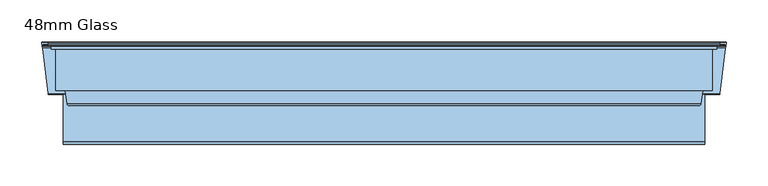
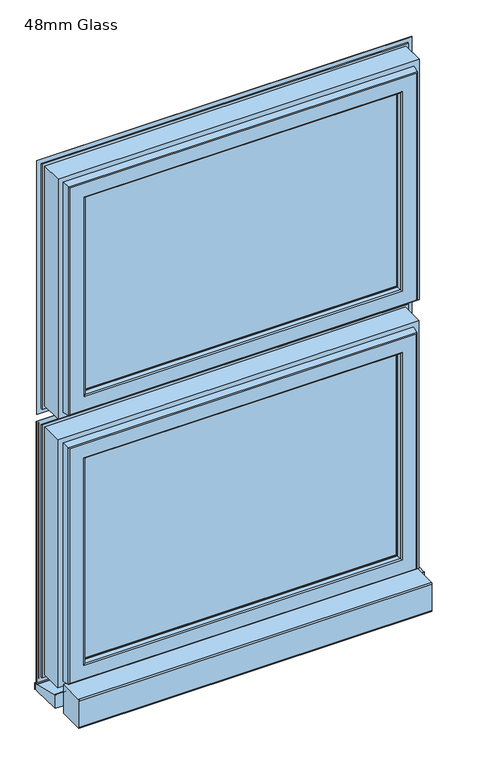
"""IFC4 building model written with IfcOpenShell, lengths in millimetres: window geometry, 48mm Glass."""

from ifc_helpers import new_model, si_unit, frame, origin, place, context, project, spatial, polyline, circle_curve, ellipse_curve, outline, extrude, source, transform, mapped, element, save
from ifc_brep_helpers import plane_surface, cylinder_surface, revolved_surface, advanced_brep


def window_48mm_glass_8716011d(model_context):
    return source(origin(), model_context, "Body", "SolidModel", [
        extrude(outline(polyline([(354.0, 94.0110098), (-354.0, 94.0110098), (-354.0, 142.0110098), (354.0, 142.0110098), (354.0, 94.0110098)])), frame((0.0, 0.0, 1418.592), z_axis=(0.0, 0.0, 1.0), x_axis=(1.0, 0.0, 0.0)), (0.0, 0.0, 1.0), 493.696),
        advanced_brep(
        [(396.5, 149.6168436, 1954.788), (396.5, 146.5999985, 1954.788), (396.5, 146.5999985, 1376.092), (396.5, 149.6168436, 1376.092), (399.0, 154.0, 1957.288), (400.0, 153.0, 1958.288), (400.0, 153.0, 1372.592), (399.0, 154.0, 1373.592), (340.0012615, 142.0, 1898.2892615), (340.0012615, 143.3599713, 1898.2892615), (340.0012615, 143.3599713, 1432.5907385), (340.0012615, 142.0, 1432.5907385), (358.3697055, 94.0110098, 1916.6577055), (364.2620126, 142.0, 1922.5500126), (364.2620126, 142.0, 1408.3299874), (358.3697055, 94.0110098, 1414.2222945), (340.0013518, 91.0110098, 1898.2893518), (340.0013518, 94.0110098, 1898.2893518), (340.0013518, 94.0110098, 1432.5906482), (340.0013518, 91.0110098, 1432.5906482), (340.0232044, 89.8030982, 1898.3112044), (341.001352, 91.0110098, 1899.289352), (341.001352, 91.0110098, 1431.590648), (340.0232044, 89.8030982, 1432.5687956), (341.8120427, 81.376265, 1900.1000427), (341.8120427, 81.376265, 1430.7799573), (344.7464855, 79.0, 1903.0344855), (344.7464855, 79.0, 1427.8455145), (377.5618051, 80.7562613, 1935.8498051), (375.5767128, 79.0, 1933.8647128), (375.5767128, 79.0, 1397.0152872), (377.5618051, 80.7562613, 1395.0301949), (379.5562854, 97.0, 1937.8442854), (379.5562854, 97.0, 1393.0357146), (391.0, 146.5999985, 1949.288), (391.0, 97.0, 1949.288), (391.0, 97.0, 1381.592), (391.0, 146.5999985, 1381.592), (-396.5, 146.5999985, 1376.092), (-396.5, 149.6168436, 1376.092), (-400.0, 153.0, 1372.592), (-399.0, 154.0, 1373.592), (-340.0012615, 143.3599713, 1432.5907385), (-340.0012615, 142.0, 1432.5907385), (-364.2620126, 142.0, 1408.3299874), (-358.3697055, 94.0110098, 1414.2222945), (-340.0013518, 94.0110098, 1432.5906482), (-340.0013518, 91.0110098, 1432.5906482), (-341.001352, 91.0110098, 1431.590648), (-340.0232044, 89.8030982, 1432.5687956), (-341.8120427, 81.376265, 1430.7799573), (-344.7464855, 79.0, 1427.8455145), (-375.5767128, 79.0, 1397.0152872), (-377.5618051, 80.7562613, 1395.0301949), (-379.5562854, 97.0, 1393.0357146), (-391.0, 97.0, 1381.592), (-391.0, 146.5999985, 1381.592), (-396.5, 146.5999985, 1954.788), (-396.5, 149.6168436, 1954.788), (-400.0, 153.0, 1958.288), (-399.0, 154.0, 1957.288), (-340.0012615, 143.3599713, 1898.2892615), (-340.0012615, 142.0, 1898.2892615), (-364.2620126, 142.0, 1922.5500126), (-358.3697055, 94.0110098, 1916.6577055), (-340.0013518, 94.0110098, 1898.2893518), (-340.0013518, 91.0110098, 1898.2893518), (-341.001352, 91.0110098, 1899.289352), (-340.0232044, 89.8030982, 1898.3112044), (-341.8120427, 81.376265, 1900.1000427), (-344.7464855, 79.0, 1903.0344855), (-375.5767128, 79.0, 1933.8647128), (-377.5618051, 80.7562613, 1935.8498051), (-379.5562854, 97.0, 1937.8442854), (-391.0, 97.0, 1949.288), (-391.0, 146.5999985, 1949.288), (406.1997151, 150.6865589, 1366.3922849), (-406.1997151, 150.6865589, 1366.3922849), (-406.1997151, 150.6865589, 1964.4877151), (406.1997151, 150.6865589, 1964.4877151), (400.0, 150.6865589, 1958.288), (-400.0, 150.6865589, 1958.288), (-400.0, 150.6865589, 1372.592), (400.0, 150.6865589, 1372.592), (406.1997151, 149.6168436, 1964.4877151), (406.1997151, 149.6168436, 1366.3922849), (-406.1997151, 149.6168436, 1366.3922849), (-406.1997151, 149.6168436, 1964.4877151), (342.8249234, 152.5957532, 1901.1129234), (344.5279664, 154.0, 1902.8159664), (344.5279664, 154.0, 1428.0640336), (342.8249234, 152.5957532, 1429.7670766), (-344.5279664, 154.0, 1428.0640336), (-342.8249234, 152.5957532, 1429.7670766), (-344.5279664, 154.0, 1902.8159664), (-342.8249234, 152.5957532, 1901.1129234)],
        [
            (0, 1),
            (1, 2),
            (2, 3),
            (3, 0),
            (4, 5, ellipse_curve(frame((399.0, 153.0, 1957.288), z_axis=(0.7071067811865475, 0.0, -0.7071067811865475), x_axis=(0.7071067811865474, 0.0, 0.7071067811865476)), 1.4142136, 1.0)),
            (5, 6),
            (6, 7, ellipse_curve(frame((399.0, 153.0, 1373.592), z_axis=(0.7071067811865475, 0.0, 0.7071067811865475), x_axis=(-0.7071067811865474, 0.0, 0.7071067811865476)), 1.4142136, 1.0)),
            (7, 4),
            (8, 9),
            (9, 10),
            (10, 11),
            (11, 8),
            (12, 13),
            (13, 14),
            (14, 15),
            (15, 12),
            (16, 17),
            (17, 18),
            (18, 19),
            (19, 16),
            (20, 21, ellipse_curve(frame((341.001352, 90.0110098, 1899.289352), z_axis=(0.7071067811865475, 0.0, -0.7071067811865475), x_axis=(0.7071067811865474, 0.0, 0.7071067811865476)), 1.4142136, 1.0)),
            (21, 22),
            (22, 23, ellipse_curve(frame((341.001352, 90.0110098, 1431.590648), z_axis=(0.7071067811865475, 0.0, 0.7071067811865475), x_axis=(-0.7071067811865474, 0.0, 0.7071067811865476)), 1.4142136, 1.0)),
            (23, 20),
            (24, 20),
            (23, 25),
            (25, 24),
            (26, 24, ellipse_curve(frame((344.7464855, 82.0, 1903.0344855), z_axis=(0.7071067811865475, 0.0, -0.7071067811865475), x_axis=(0.7071067811865474, 0.0, 0.7071067811865476)), 4.2426407, 3.0)),
            (25, 27, ellipse_curve(frame((344.7464855, 82.0, 1427.8455145), z_axis=(0.7071067811865475, 0.0, 0.7071067811865475), x_axis=(-0.7071067811865474, 0.0, 0.7071067811865476)), 4.2426407, 3.0)),
            (27, 26),
            (28, 29, ellipse_curve(frame((375.5767128, 81.0, 1933.8647128), z_axis=(0.7071067811865475, 0.0, -0.7071067811865475), x_axis=(0.7071067811865474, 0.0, 0.7071067811865476)), 2.8284271, 2.0)),
            (29, 30),
            (30, 31, ellipse_curve(frame((375.5767128, 81.0, 1397.0152872), z_axis=(0.7071067811865475, 0.0, 0.7071067811865475), x_axis=(-0.7071067811865474, 0.0, 0.7071067811865476)), 2.8284271, 2.0)),
            (31, 28),
            (32, 28),
            (31, 33),
            (33, 32),
            (34, 35),
            (35, 36),
            (36, 37),
            (37, 34),
            (2, 38),
            (38, 39),
            (39, 3),
            (6, 40),
            (40, 41, ellipse_curve(frame((-399.0, 153.0, 1373.592), z_axis=(0.7071067811865475, 0.0, -0.7071067811865475), x_axis=(0.7071067811865476, 0.0, 0.7071067811865474)), 1.4142136, 1.0)),
            (41, 7),
            (10, 42),
            (42, 43),
            (43, 11),
            (14, 44),
            (44, 45),
            (45, 15),
            (18, 46),
            (46, 47),
            (47, 19),
            (22, 48),
            (48, 49, ellipse_curve(frame((-341.001352, 90.0110098, 1431.590648), z_axis=(0.7071067811865475, 0.0, -0.7071067811865475), x_axis=(0.7071067811865476, 0.0, 0.7071067811865474)), 1.4142136, 1.0)),
            (49, 23),
            (49, 50),
            (50, 25),
            (50, 51, ellipse_curve(frame((-344.7464855, 82.0, 1427.8455145), z_axis=(0.7071067811865475, 0.0, -0.7071067811865475), x_axis=(0.7071067811865476, 0.0, 0.7071067811865474)), 4.2426407, 3.0)),
            (51, 27),
            (30, 52),
            (52, 53, ellipse_curve(frame((-375.5767128, 81.0, 1397.0152872), z_axis=(0.7071067811865475, 0.0, -0.7071067811865475), x_axis=(0.7071067811865476, 0.0, 0.7071067811865474)), 2.8284271, 2.0)),
            (53, 31),
            (53, 54),
            (54, 33),
            (36, 55),
            (55, 56),
            (56, 37),
            (38, 57),
            (57, 58),
            (58, 39),
            (40, 59),
            (59, 60, ellipse_curve(frame((-399.0, 153.0, 1957.288), z_axis=(-0.7071067811865475, 0.0, -0.7071067811865475), x_axis=(0.7071067811865474, 0.0, -0.7071067811865476)), 1.4142136, 1.0)),
            (60, 41),
            (42, 61),
            (61, 62),
            (62, 43),
            (44, 63),
            (63, 64),
            (64, 45),
            (46, 65),
            (65, 66),
            (66, 47),
            (48, 67),
            (67, 68, ellipse_curve(frame((-341.001352, 90.0110098, 1899.289352), z_axis=(-0.7071067811865475, 0.0, -0.7071067811865475), x_axis=(0.7071067811865474, 0.0, -0.7071067811865476)), 1.4142136, 1.0)),
            (68, 49),
            (68, 69),
            (69, 50),
            (69, 70, ellipse_curve(frame((-344.7464855, 82.0, 1903.0344855), z_axis=(-0.7071067811865475, 0.0, -0.7071067811865475), x_axis=(0.7071067811865474, 0.0, -0.7071067811865476)), 4.2426407, 3.0)),
            (70, 51),
            (52, 71),
            (71, 72, ellipse_curve(frame((-375.5767128, 81.0, 1933.8647128), z_axis=(-0.7071067811865475, 0.0, -0.7071067811865475), x_axis=(0.7071067811865474, 0.0, -0.7071067811865476)), 2.8284271, 2.0)),
            (72, 53),
            (72, 73),
            (73, 54),
            (55, 74),
            (74, 75),
            (75, 56),
            (1, 57),
            (75, 34),
            (0, 58),
            (76, 77),
            (77, 78),
            (78, 79),
            (79, 76),
            (80, 81),
            (81, 82),
            (82, 83),
            (83, 80),
            (59, 5),
            (4, 60),
            (61, 9),
            (8, 62),
            (13, 63),
            (12, 64),
            (17, 65),
            (16, 66),
            (21, 67),
            (20, 68),
            (24, 69),
            (26, 70),
            (29, 71),
            (28, 72),
            (32, 73),
            (35, 74),
            (79, 84),
            (84, 85),
            (85, 76),
            (5, 80),
            (83, 6),
            (85, 86),
            (86, 77),
            (82, 40),
            (86, 87),
            (87, 78),
            (81, 59),
            (84, 87),
            (88, 89, ellipse_curve(frame((344.7375329, 152.0110098, 1903.0255329), z_axis=(0.7071067811865475, 0.0, -0.7071067811865475), x_axis=(0.7071067811865474, 0.0, 0.7071067811865476)), 2.8284271, 2.0)),
            (89, 90),
            (90, 91, ellipse_curve(frame((344.7375329, 152.0110098, 1427.8544671), z_axis=(0.7071067811865475, 0.0, 0.7071067811865475), x_axis=(-0.7071067811865474, 0.0, 0.7071067811865476)), 2.8284271, 2.0)),
            (91, 88),
            (9, 88),
            (91, 10),
            (90, 92),
            (92, 93, ellipse_curve(frame((-344.7375329, 152.0110098, 1427.8544671), z_axis=(0.7071067811865475, 0.0, -0.7071067811865475), x_axis=(0.7071067811865476, 0.0, 0.7071067811865474)), 2.8284271, 2.0)),
            (93, 91),
            (93, 42),
            (92, 94),
            (94, 95, ellipse_curve(frame((-344.7375329, 152.0110098, 1903.0255329), z_axis=(-0.7071067811865475, 0.0, -0.7071067811865475), x_axis=(0.7071067811865474, 0.0, -0.7071067811865476)), 2.8284271, 2.0)),
            (95, 93),
            (95, 61),
            (89, 94),
            (88, 95),
        ],
        [
            plane_surface(frame((396.5, 146.5999985, 1954.788), z_axis=(1.0, 0.0, 0.0), x_axis=(0.0, 0.0, -1.0))),
            cylinder_surface(frame((399.0, 153.0, 1949.288), z_axis=(0.0, 0.0, 1.0), x_axis=(0.0, -1.0, 0.0)), 1.0),
            plane_surface(frame((340.0012615, 143.3599713, 1898.2892615), z_axis=(-1.0, 0.0, 0.0), x_axis=(0.0, 0.0, -1.0))),
            plane_surface(frame((364.2620126, 142.0, 1922.5500126), z_axis=(-0.9925461516413232, 0.12186934340513839, 0.0), x_axis=(0.0, 0.0, -1.0))),
            plane_surface(frame((340.0013518, 94.0110098, 1898.2893518), z_axis=(-1.0, 0.0, 0.0), x_axis=(0.0, 0.0, -1.0))),
            cylinder_surface(frame((341.001352, 90.0110098, 1949.288), z_axis=(0.0, 0.0, 1.0), x_axis=(0.0, -1.0, 0.0)), 1.0),
            plane_surface(frame((340.0232044, 89.8030982, 1898.3112044), z_axis=(-0.9782028159557521, -0.2076517538000511, 0.0), x_axis=(0.0, 0.0, -1.0))),
            cylinder_surface(frame((344.7464855, 82.0, 1949.288), z_axis=(0.0, 0.0, 1.0), x_axis=(0.0, -1.0, 0.0)), 3.0),
            cylinder_surface(frame((375.5767128, 81.0, 1949.288), z_axis=(0.0, 0.0, 1.0), x_axis=(0.0, -1.0, 0.0)), 2.0),
            plane_surface(frame((377.5618051, 80.7562613, 1935.8498051), z_axis=(0.9925461516416152, -0.12186934340276044, 0.0), x_axis=(0.0, 0.0, -1.0))),
            plane_surface(frame((391.0, 97.0, 1949.288), z_axis=(1.0, 0.0, 0.0), x_axis=(0.0, 0.0, -1.0))),
            plane_surface(frame((396.5, 146.5999985, 1376.092), z_axis=(0.0, 0.0, -1.0), x_axis=(-1.0, 0.0, 0.0))),
            cylinder_surface(frame((391.0, 153.0, 1373.592), z_axis=(1.0, 0.0, 0.0), x_axis=(0.0, -1.0, 0.0)), 1.0),
            plane_surface(frame((340.0012615, 143.3599713, 1432.5907385), z_axis=(0.0, 0.0, 1.0), x_axis=(-1.0, 0.0, 0.0))),
            plane_surface(frame((364.2620126, 142.0, 1408.3299874), z_axis=(0.0, 0.12186934340513839, 0.9925461516413232), x_axis=(-1.0, 0.0, 0.0))),
            plane_surface(frame((340.0013518, 94.0110098, 1432.5906482), z_axis=(0.0, 0.0, 1.0), x_axis=(-1.0, 0.0, 0.0))),
            cylinder_surface(frame((391.0, 90.0110098, 1431.590648), z_axis=(1.0, 0.0, 0.0), x_axis=(0.0, -1.0, 0.0)), 1.0),
            plane_surface(frame((340.0232044, 89.8030982, 1432.5687956), z_axis=(0.0, -0.2076517538000511, 0.9782028159557521), x_axis=(-1.0, 0.0, 0.0))),
            cylinder_surface(frame((391.0, 82.0, 1427.8455145), z_axis=(1.0, 0.0, 0.0), x_axis=(0.0, -1.0, 0.0)), 3.0),
            cylinder_surface(frame((391.0, 81.0, 1397.0152872), z_axis=(1.0, 0.0, 0.0), x_axis=(0.0, -1.0, 0.0)), 2.0),
            plane_surface(frame((377.5618051, 80.7562613, 1395.0301949), z_axis=(0.0, -0.12186934340276044, -0.9925461516416152), x_axis=(-1.0, 0.0, 0.0))),
            plane_surface(frame((391.0, 97.0, 1381.592), z_axis=(0.0, 0.0, -1.0), x_axis=(-1.0, 0.0, 0.0))),
            plane_surface(frame((-396.5, 146.5999985, 1376.092), z_axis=(-1.0, 0.0, 0.0), x_axis=(0.0, 0.0, 1.0))),
            cylinder_surface(frame((-399.0, 153.0, 1381.592), z_axis=(0.0, 0.0, -1.0), x_axis=(0.0, -1.0, 0.0)), 1.0),
            plane_surface(frame((-340.0012615, 143.3599713, 1432.5907385), z_axis=(1.0, 0.0, 0.0), x_axis=(0.0, 0.0, 1.0))),
            plane_surface(frame((-364.2620126, 142.0, 1408.3299874), z_axis=(0.9925461516413232, 0.12186934340513839, 0.0), x_axis=(0.0, 0.0, 1.0))),
            plane_surface(frame((-340.0013518, 94.0110098, 1432.5906482), z_axis=(1.0, 0.0, 0.0), x_axis=(0.0, 0.0, 1.0))),
            cylinder_surface(frame((-341.001352, 90.0110098, 1381.592), z_axis=(0.0, 0.0, -1.0), x_axis=(0.0, -1.0, 0.0)), 1.0),
            plane_surface(frame((-340.0232044, 89.8030982, 1432.5687956), z_axis=(0.9782028159557521, -0.2076517538000511, 0.0), x_axis=(0.0, 0.0, 1.0))),
            cylinder_surface(frame((-344.7464855, 82.0, 1381.592), z_axis=(0.0, 0.0, -1.0), x_axis=(0.0, -1.0, 0.0)), 3.0),
            cylinder_surface(frame((-375.5767128, 81.0, 1381.592), z_axis=(0.0, 0.0, -1.0), x_axis=(0.0, -1.0, 0.0)), 2.0),
            plane_surface(frame((-377.5618051, 80.7562613, 1395.0301949), z_axis=(-0.9925461516416152, -0.12186934340276044, 0.0), x_axis=(0.0, 0.0, 1.0))),
            plane_surface(frame((-391.0, 97.0, 1381.592), z_axis=(-1.0, 0.0, 0.0), x_axis=(0.0, 0.0, 1.0))),
            plane_surface(frame((-391.0, 146.5999985, 1949.288), z_axis=(0.0, -1.0, 0.0), x_axis=(1.0, 0.0, 0.0))),
            plane_surface(frame((-396.5, 146.5999985, 1954.788), z_axis=(0.0, 0.0, 1.0), x_axis=(1.0, 0.0, 0.0))),
            plane_surface(frame((-406.1997151, 150.6865589, 1964.4877151), z_axis=(0.0, 1.0, 0.0), x_axis=(1.0, 0.0, 0.0))),
            cylinder_surface(frame((-391.0, 153.0, 1957.288), z_axis=(-1.0, 0.0, 0.0), x_axis=(0.0, -1.0, 0.0)), 1.0),
            plane_surface(frame((-340.0012615, 143.3599713, 1898.2892615), z_axis=(0.0, 0.0, -1.0), x_axis=(1.0, 0.0, 0.0))),
            plane_surface(frame((-340.0012615, 142.0, 1898.2892615), z_axis=(0.0, -1.0, 0.0), x_axis=(1.0, 0.0, 0.0))),
            plane_surface(frame((-364.2620126, 142.0, 1922.5500126), z_axis=(0.0, 0.12186934340513839, -0.9925461516413232), x_axis=(1.0, 0.0, 0.0))),
            plane_surface(frame((-358.3697055, 94.0110098, 1916.6577055), z_axis=(0.0, 1.0, 0.0), x_axis=(1.0, 0.0, 0.0))),
            plane_surface(frame((-340.0013518, 94.0110098, 1898.2893518), z_axis=(0.0, 0.0, -1.0), x_axis=(1.0, 0.0, 0.0))),
            plane_surface(frame((-340.0013518, 91.0110098, 1898.2893518), z_axis=(0.0, -1.0, 0.0), x_axis=(1.0, 0.0, 0.0))),
            cylinder_surface(frame((-391.0, 90.0110098, 1899.289352), z_axis=(-1.0, 0.0, 0.0), x_axis=(0.0, -1.0, 0.0)), 1.0),
            plane_surface(frame((-340.0232044, 89.8030982, 1898.3112044), z_axis=(0.0, -0.2076517538000511, -0.9782028159557521), x_axis=(1.0, 0.0, 0.0))),
            cylinder_surface(frame((-391.0, 82.0, 1903.0344855), z_axis=(-1.0, 0.0, 0.0), x_axis=(0.0, -1.0, 0.0)), 3.0),
            plane_surface(frame((-344.7464855, 79.0, 1903.0344855), z_axis=(0.0, -1.0, 0.0), x_axis=(1.0, 0.0, 0.0))),
            cylinder_surface(frame((-391.0, 81.0, 1933.8647128), z_axis=(-1.0, 0.0, 0.0), x_axis=(0.0, -1.0, 0.0)), 2.0),
            plane_surface(frame((-377.5618051, 80.7562613, 1935.8498051), z_axis=(0.0, -0.12186934340276044, 0.9925461516416152), x_axis=(1.0, 0.0, 0.0))),
            plane_surface(frame((-379.5562854, 97.0, 1937.8442854), z_axis=(0.0, -1.0, 0.0), x_axis=(1.0, 0.0, 0.0))),
            plane_surface(frame((-391.0, 97.0, 1949.288), z_axis=(0.0, 0.0, 1.0), x_axis=(1.0, 0.0, 0.0))),
            plane_surface(frame((406.1997151, 149.6168436, 1964.4877151), z_axis=(1.0, 0.0, 0.0), x_axis=(0.0, 0.0, -1.0))),
            plane_surface(frame((400.0, 150.6865589, 1958.288), z_axis=(1.0, 0.0, 0.0), x_axis=(0.0, 0.0, -1.0))),
            plane_surface(frame((406.1997151, 149.6168436, 1366.3922849), z_axis=(0.0, 0.0, -1.0), x_axis=(-1.0, 0.0, 0.0))),
            plane_surface(frame((400.0, 150.6865589, 1372.592), z_axis=(0.0, 0.0, -1.0), x_axis=(-1.0, 0.0, 0.0))),
            plane_surface(frame((-406.1997151, 149.6168436, 1366.3922849), z_axis=(-1.0, 0.0, 0.0), x_axis=(0.0, 0.0, 1.0))),
            plane_surface(frame((-400.0, 150.6865589, 1372.592), z_axis=(-1.0, 0.0, 0.0), x_axis=(0.0, 0.0, 1.0))),
            plane_surface(frame((-396.5, 149.6168436, 1954.788), z_axis=(0.0, -1.0, 0.0), x_axis=(1.0, 0.0, 0.0))),
            plane_surface(frame((-406.1997151, 149.6168436, 1964.4877151), z_axis=(0.0, 0.0, 1.0), x_axis=(1.0, 0.0, 0.0))),
            plane_surface(frame((-400.0, 150.6865589, 1958.288), z_axis=(0.0, 0.0, 1.0), x_axis=(1.0, 0.0, 0.0))),
            cylinder_surface(frame((344.7375329, 152.0110098, 1949.288), z_axis=(0.0, 0.0, 1.0), x_axis=(0.0, -1.0, 0.0)), 2.0),
            plane_surface(frame((342.8249234, 152.5957532, 1901.1129234), z_axis=(-0.9563047559630313, 0.2923717047227505, 0.0), x_axis=(0.0, 0.0, -1.0))),
            cylinder_surface(frame((391.0, 152.0110098, 1427.8544671), z_axis=(1.0, 0.0, 0.0), x_axis=(0.0, -1.0, 0.0)), 2.0),
            plane_surface(frame((342.8249234, 152.5957532, 1429.7670766), z_axis=(0.0, 0.2923717047227505, 0.9563047559630313), x_axis=(-1.0, 0.0, 0.0))),
            cylinder_surface(frame((-344.7375329, 152.0110098, 1381.592), z_axis=(0.0, 0.0, -1.0), x_axis=(0.0, -1.0, 0.0)), 2.0),
            plane_surface(frame((-342.8249234, 152.5957532, 1429.7670766), z_axis=(0.9563047559630313, 0.2923717047227505, 0.0), x_axis=(0.0, 0.0, 1.0))),
            plane_surface(frame((-399.0, 154.0, 1957.288), z_axis=(0.0, 1.0, 0.0), x_axis=(1.0, 0.0, 0.0))),
            cylinder_surface(frame((-391.0, 152.0110098, 1903.0255329), z_axis=(-1.0, 0.0, 0.0), x_axis=(0.0, -1.0, 0.0)), 2.0),
            plane_surface(frame((-342.8249234, 152.5957532, 1901.1129234), z_axis=(0.0, 0.2923717047227505, -0.9563047559630313), x_axis=(1.0, 0.0, 0.0))),
        ],
        [
            (0, [[1, 2, 3, 4]]),
            (1, [[5, 6, 7, 8]]),
            (2, [[9, 10, 11, 12]]),
            (3, [[13, 14, 15, 16]]),
            (4, [[17, 18, 19, 20]]),
            (5, [[21, 22, 23, 24]]),
            (6, [[25, -24, 26, 27]]),
            (7, [[28, -27, 29, 30]]),
            (8, [[31, 32, 33, 34]]),
            (9, [[35, -34, 36, 37]]),
            (10, [[38, 39, 40, 41]]),
            (11, [[-3, 42, 43, 44]]),
            (12, [[-7, 45, 46, 47]]),
            (13, [[-11, 48, 49, 50]]),
            (14, [[-15, 51, 52, 53]]),
            (15, [[-19, 54, 55, 56]]),
            (16, [[-23, 57, 58, 59]]),
            (17, [[-26, -59, 60, 61]]),
            (18, [[-29, -61, 62, 63]]),
            (19, [[-33, 64, 65, 66]]),
            (20, [[-36, -66, 67, 68]]),
            (21, [[-40, 69, 70, 71]]),
            (22, [[-43, 72, 73, 74]]),
            (23, [[-46, 75, 76, 77]]),
            (24, [[-49, 78, 79, 80]]),
            (25, [[-52, 81, 82, 83]]),
            (26, [[-55, 84, 85, 86]]),
            (27, [[-58, 87, 88, 89]]),
            (28, [[-60, -89, 90, 91]]),
            (29, [[-62, -91, 92, 93]]),
            (30, [[-65, 94, 95, 96]]),
            (31, [[-67, -96, 97, 98]]),
            (32, [[-70, 99, 100, 101]]),
            (33, [[102, -72, -42, -2], [-71, -101, 103, -41]]),
            (34, [[-73, -102, -1, 104]]),
            (35, [[105, 106, 107, 108], [109, 110, 111, 112]]),
            (36, [[-76, 113, -5, 114]]),
            (37, [[-79, 115, -9, 116]]),
            (38, [[117, -81, -51, -14], [-50, -80, -116, -12]]),
            (39, [[-82, -117, -13, 118]]),
            (40, [[-53, -83, -118, -16], [119, -84, -54, -18]]),
            (41, [[-85, -119, -17, 120]]),
            (42, [[121, -87, -57, -22], [-56, -86, -120, -20]]),
            (43, [[-88, -121, -21, 122]]),
            (44, [[-90, -122, -25, 123]]),
            (45, [[-92, -123, -28, 124]]),
            (46, [[125, -94, -64, -32], [-63, -93, -124, -30]]),
            (47, [[-95, -125, -31, 126]]),
            (48, [[-97, -126, -35, 127]]),
            (49, [[128, -99, -69, -39], [-68, -98, -127, -37]]),
            (50, [[-100, -128, -38, -103]]),
            (51, [[129, 130, 131, -108]]),
            (52, [[132, -112, 133, -6]]),
            (53, [[-131, 134, 135, -105]]),
            (54, [[-133, -111, 136, -45]]),
            (55, [[-135, 137, 138, -106]]),
            (56, [[-136, -110, 139, -75]]),
            (57, [[140, -137, -134, -130], [-44, -74, -104, -4]]),
            (58, [[-138, -140, -129, -107]]),
            (59, [[-139, -109, -132, -113]]),
            (60, [[141, 142, 143, 144]]),
            (61, [[145, -144, 146, -10]]),
            (62, [[-143, 147, 148, 149]]),
            (63, [[-146, -149, 150, -48]]),
            (64, [[-148, 151, 152, 153]]),
            (65, [[-150, -153, 154, -78]]),
            (66, [[-47, -77, -114, -8], [155, -151, -147, -142]]),
            (67, [[-152, -155, -141, 156]]),
            (68, [[-154, -156, -145, -115]]),
        ],
    ),
        advanced_brep(
        [(382.0, 91.0, 1341.2649121), (382.0, 91.0, 1324.592), (-382.0, 91.0, 1324.592), (-382.0, 91.0, 1341.2649121), (382.0, 35.0, 1324.592), (-382.0, 35.0, 1324.592), (382.0, 32.0, 1327.592), (382.0, 32.0, 1387.592), (-382.0, 32.0, 1387.592), (-382.0, 32.0, 1327.592), (382.0, 35.0, 1390.592), (382.0, 91.0, 1390.592), (-382.0, 91.0, 1390.592), (-382.0, 35.0, 1390.592), (382.0, 91.0, 1373.9190879), (-382.0, 91.0, 1373.9190879), (400.1583253, 92.2894565, 1372.4339376), (406.822025, 146.5609347, 1365.7813048), (-406.822025, 146.5609347, 1365.7813048), (-400.1583253, 92.2894565, 1372.4339376), (406.822025, 146.5609347, 1349.4026952), (400.1583253, 92.2894565, 1342.7500624), (-400.1583253, 92.2894565, 1342.7500624), (-406.822025, 146.5609347, 1349.4026952), (400.0, 91.0, 1341.2649121), (400.0, 91.0, 1373.9190879), (407.6, 153.0, 1364.992), (407.6, 153.0, 1350.192), (407.6, 154.0, 1351.192), (407.6, 154.0, 1363.992), (407.0359197, 148.3029671, 1350.192), (407.0359197, 148.3029671, 1364.992), (-400.0, 91.0, 1373.9190879), (-400.0, 91.0, 1341.2649121), (-407.6, 153.0, 1350.192), (-407.6, 153.0, 1364.992), (-407.6, 154.0, 1363.992), (-407.6, 154.0, 1351.192), (-407.0359197, 148.3029671, 1364.992), (-407.0359197, 148.3029671, 1350.192)],
        [
            (0, 1),
            (1, 2),
            (2, 3),
            (3, 0),
            (1, 4),
            (4, 5),
            (5, 2),
            (6, 7),
            (7, 8),
            (8, 9),
            (9, 6),
            (10, 11),
            (11, 12),
            (12, 13),
            (13, 10),
            (11, 14),
            (14, 15),
            (15, 12),
            (16, 17),
            (17, 18),
            (18, 19),
            (19, 16),
            (20, 21),
            (21, 22),
            (22, 23),
            (23, 20),
            (14, 0),
            (0, 24),
            (24, 25),
            (25, 14),
            (10, 7, circle_curve(frame((382.0, 35.0, 1387.592), z_axis=(1.0, 0.0, 0.0), x_axis=(0.0, 0.0, 1.0)), 3.0)),
            (6, 4, circle_curve(frame((382.0, 35.0, 1327.592), z_axis=(1.0, 0.0, 0.0), x_axis=(0.0, 0.0, 1.0)), 3.0)),
            (26, 27),
            (27, 28, circle_curve(frame((407.6, 153.0, 1351.192), z_axis=(1.0, 0.0, 0.0), x_axis=(0.0, 0.0, 1.0)), 1.0)),
            (28, 29),
            (29, 26, circle_curve(frame((407.6, 153.0, 1363.992), z_axis=(1.0, 0.0, 0.0), x_axis=(0.0, 0.0, 1.0)), 1.0)),
            (24, 21, ellipse_curve(frame((400.1841768, 92.5, 1341.2649121), z_axis=(-0.9925461516413192, 0.12186934340517064, 0.0), x_axis=(0.12186934340517032, 0.9925461516413191, 0.0)), 1.5112647, 1.5)),
            (20, 30),
            (30, 27),
            (26, 31),
            (31, 17),
            (16, 25, ellipse_curve(frame((400.1841768, 92.5, 1373.9190879), z_axis=(-0.9925461516413192, 0.12186934340517064, 0.0), x_axis=(0.12186934340517032, 0.9925461516413191, 0.0)), 1.5112647, 1.5)),
            (3, 15),
            (15, 32),
            (32, 33),
            (33, 3),
            (5, 9, circle_curve(frame((-382.0, 35.0, 1327.592), z_axis=(-1.0, 0.0, 0.0), x_axis=(0.0, 0.0, 1.0)), 3.0)),
            (8, 13, circle_curve(frame((-382.0, 35.0, 1387.592), z_axis=(-1.0, 0.0, 0.0), x_axis=(0.0, 0.0, 1.0)), 3.0)),
            (34, 35),
            (35, 36, circle_curve(frame((-407.6, 153.0, 1363.992), z_axis=(-1.0, 0.0, 0.0), x_axis=(0.0, 0.0, 1.0)), 1.0)),
            (36, 37),
            (37, 34, circle_curve(frame((-407.6, 153.0, 1351.192), z_axis=(-1.0, 0.0, 0.0), x_axis=(0.0, 0.0, 1.0)), 1.0)),
            (32, 19, ellipse_curve(frame((-400.1841768, 92.5, 1373.9190879), z_axis=(0.9925461516413218, 0.12186934340514957, 0.0), x_axis=(0.12186934340514949, -0.9925461516413219, 0.0)), 1.5112647, 1.5)),
            (18, 38),
            (38, 35),
            (34, 39),
            (39, 23),
            (22, 33, ellipse_curve(frame((-400.1841768, 92.5, 1341.2649121), z_axis=(0.9925461516413218, 0.12186934340514957, 0.0), x_axis=(0.12186934340514949, -0.9925461516413219, 0.0)), 1.5112647, 1.5)),
            (31, 38),
            (26, 35),
            (29, 36),
            (28, 37),
            (27, 34),
            (30, 39),
        ],
        [
            plane_surface(frame((-432.0, 91.0, 1341.2649121), z_axis=(0.0, 1.0, 0.0), x_axis=(1.0, 0.0, 0.0))),
            plane_surface(frame((-432.0, 91.0, 1324.592), z_axis=(0.0, 0.0, -1.0), x_axis=(1.0, 0.0, 0.0))),
            plane_surface(frame((-432.0, 32.0, 1327.592), z_axis=(0.0, -1.0, 0.0), x_axis=(1.0, 0.0, 0.0))),
            plane_surface(frame((-432.0, 35.0, 1390.592), z_axis=(0.0, 0.0, 1.0), x_axis=(1.0, 0.0, 0.0))),
            plane_surface(frame((-432.0, 91.0, 1390.592), z_axis=(0.0, 1.0, 0.0), x_axis=(1.0, 0.0, 0.0))),
            plane_surface(frame((-432.0, 92.2894565, 1372.4339376), z_axis=(0.0, 0.12166994625706042, 0.992570614202236), x_axis=(1.0, 0.0, 0.0))),
            plane_surface(frame((-432.0, 146.5609347, 1349.4026952), z_axis=(0.0, 0.12166994625704212, -0.9925706142022382), x_axis=(1.0, 0.0, 0.0))),
            plane_surface(frame((400.0, 91.0, 1607.592), z_axis=(0.0, -1.0, 0.0), x_axis=(0.0, 0.0, -1.0))),
            plane_surface(frame((382.0, 91.0, 1607.592), z_axis=(1.0, 0.0, 0.0), x_axis=(0.0, 0.0, -1.0))),
            plane_surface(frame((407.6, 154.0, 1607.592), z_axis=(1.0, 0.0, 0.0), x_axis=(0.0, 0.0, -1.0))),
            plane_surface(frame((407.6, 152.8970329, 1607.592), z_axis=(0.9925461516413192, -0.12186934340517064, 0.0), x_axis=(0.0, 0.0, -1.0))),
            plane_surface(frame((-382.0, 91.0, 1607.592), z_axis=(0.0, -1.0, 0.0), x_axis=(0.0, 0.0, -1.0))),
            plane_surface(frame((-382.0, 32.0, 1607.592), z_axis=(-1.0, 0.0, 0.0), x_axis=(0.0, 0.0, -1.0))),
            plane_surface(frame((-407.6, 152.8970329, 1607.592), z_axis=(-1.0, 0.0, 0.0), x_axis=(0.0, 0.0, -1.0))),
            plane_surface(frame((-400.0, 91.0, 1607.592), z_axis=(-0.9925461516413218, -0.12186934340514957, 0.0), x_axis=(0.0, 0.0, -1.0))),
            revolved_surface(polyline([(400.3683536367004, 92.5, 1342.7649121), (-400.36835363670036, 92.5, 1342.7649121)]), (432.0, 92.5, 1341.2649121), (1.0, 0.0, 0.0)),
            cylinder_surface(frame((432.0, 35.0, 1327.592), z_axis=(-1.0, 0.0, 0.0), x_axis=(0.0, 0.0, 1.0)), 3.0),
            cylinder_surface(frame((432.0, 35.0, 1387.592), z_axis=(-1.0, 0.0, 0.0), x_axis=(0.0, 0.0, 1.0)), 3.0),
            revolved_surface(polyline([(400.3683536367004, 92.5, 1375.4190879), (-400.36835363670036, 92.5, 1375.4190879)]), (432.0, 92.5, 1373.9190879), (1.0, 0.0, 0.0)),
            plane_surface(frame((-432.0, 146.5609347, 1365.7813048), z_axis=(0.0, 0.4127070888885561, 0.9108637981504883), x_axis=(1.0, 0.0, 0.0))),
            plane_surface(frame((-432.0, 148.3029671, 1364.992), z_axis=(0.0, 0.0, 1.0), x_axis=(1.0, 0.0, 0.0))),
            cylinder_surface(frame((432.0, 153.0, 1363.992), z_axis=(-1.0, 0.0, 0.0), x_axis=(0.0, 0.0, 1.0)), 1.0),
            plane_surface(frame((-432.0, 154.0, 1363.992), z_axis=(0.0, 1.0, 0.0), x_axis=(1.0, 0.0, 0.0))),
            cylinder_surface(frame((432.0, 153.0, 1351.192), z_axis=(-1.0, 0.0, 0.0), x_axis=(0.0, 0.0, 1.0)), 1.0),
            plane_surface(frame((-432.0, 153.0, 1350.192), z_axis=(0.0, 0.0, -1.0), x_axis=(1.0, 0.0, 0.0))),
            plane_surface(frame((-432.0, 148.3029671, 1350.192), z_axis=(0.0, 0.41270708890017077, -0.9108637981452258), x_axis=(1.0, 0.0, 0.0))),
        ],
        [
            (0, [[1, 2, 3, 4]]),
            (1, [[5, 6, 7, -2]]),
            (2, [[8, 9, 10, 11]]),
            (3, [[12, 13, 14, 15]]),
            (4, [[16, 17, 18, -13]]),
            (5, [[19, 20, 21, 22]]),
            (6, [[23, 24, 25, 26]]),
            (7, [[27, 28, 29, 30]]),
            (8, [[-27, -16, -12, 31, -8, 32, -5, -1]]),
            (9, [[33, 34, 35, 36]]),
            (10, [[-29, 37, -23, 38, 39, -33, 40, 41, -19, 42]]),
            (11, [[43, 44, 45, 46]]),
            (12, [[-43, -3, -7, 47, -10, 48, -14, -18]]),
            (13, [[49, 50, 51, 52]]),
            (14, [[-45, 53, -21, 54, 55, -49, 56, 57, -25, 58]]),
            (15, [[-28, -4, -46, -58, -24, -37]]),
            (16, [[-32, -11, -47, -6]]),
            (17, [[-31, -15, -48, -9]]),
            (18, [[-30, -42, -22, -53, -44, -17]]),
            (19, [[-41, 59, -54, -20]]),
            (20, [[-40, 60, -55, -59]]),
            (21, [[-36, 61, -50, -60]]),
            (22, [[-35, 62, -51, -61]]),
            (23, [[-34, 63, -52, -62]]),
            (24, [[-39, 64, -56, -63]]),
            (25, [[-38, -26, -57, -64]]),
        ],
    ),
        extrude(outline(polyline([(354.0, 93.0110098), (-354.0, 93.0110098), (-354.0, 141.0110098), (354.0, 141.0110098), (354.0, 93.0110098)])), frame((0.0, 0.0, 2034.288), z_axis=(0.0, 0.0, 1.0), x_axis=(1.0, 0.0, 0.0)), (0.0, 0.0, 1.0), 475.712),
        advanced_brep(
        [(396.5, 148.6168436, 2552.5), (396.5, 145.5999985, 2552.5), (396.5, 145.5999985, 1991.788), (396.5, 148.6168436, 1991.788), (399.0, 153.0, 2555.0), (400.0, 152.0, 2556.0), (400.0, 152.0, 1988.288), (399.0, 153.0, 1989.288), (340.0012615, 141.0, 2496.0012615), (340.0012615, 142.3599713, 2496.0012615), (340.0012615, 142.3599713, 2048.2867385), (340.0012615, 141.0, 2048.2867385), (358.3697055, 93.0110098, 2514.3697055), (364.2620126, 141.0, 2520.2620126), (364.2620126, 141.0, 2024.0259874), (358.3697055, 93.0110098, 2029.9182945), (340.0013518, 90.0110098, 2496.0013518), (340.0013518, 93.0110098, 2496.0013518), (340.0013518, 93.0110098, 2048.2866482), (340.0013518, 90.0110098, 2048.2866482), (340.0232044, 88.8030982, 2496.0232044), (341.001352, 90.0110098, 2497.001352), (341.001352, 90.0110098, 2047.286648), (340.0232044, 88.8030982, 2048.2647956), (341.8120427, 80.376265, 2497.8120427), (341.8120427, 80.376265, 2046.4759573), (344.7464855, 78.0, 2500.7464855), (344.7464855, 78.0, 2043.5415145), (377.5618051, 79.7562613, 2533.5618051), (375.5767128, 78.0, 2531.5767128), (375.5767128, 78.0, 2012.7112872), (377.5618051, 79.7562613, 2010.7261949), (379.5562854, 96.0, 2535.5562854), (379.5562854, 96.0, 2008.7317146), (391.0, 145.5999985, 2547.0), (391.0, 96.0, 2547.0), (391.0, 96.0, 1997.288), (391.0, 145.5999985, 1997.288), (-396.5, 145.5999985, 1991.788), (-396.5, 148.6168436, 1991.788), (-400.0, 152.0, 1988.288), (-399.0, 153.0, 1989.288), (-340.0012615, 142.3599713, 2048.2867385), (-340.0012615, 141.0, 2048.2867385), (-364.2620126, 141.0, 2024.0259874), (-358.3697055, 93.0110098, 2029.9182945), (-340.0013518, 93.0110098, 2048.2866482), (-340.0013518, 90.0110098, 2048.2866482), (-341.001352, 90.0110098, 2047.286648), (-340.0232044, 88.8030982, 2048.2647956), (-341.8120427, 80.376265, 2046.4759573), (-344.7464855, 78.0, 2043.5415145), (-375.5767128, 78.0, 2012.7112872), (-377.5618051, 79.7562613, 2010.7261949), (-379.5562854, 96.0, 2008.7317146), (-391.0, 96.0, 1997.288), (-391.0, 145.5999985, 1997.288), (-396.5, 145.5999985, 2552.5), (-396.5, 148.6168436, 2552.5), (-400.0, 152.0, 2556.0), (-399.0, 153.0, 2555.0), (-340.0012615, 142.3599713, 2496.0012615), (-340.0012615, 141.0, 2496.0012615), (-364.2620126, 141.0, 2520.2620126), (-358.3697055, 93.0110098, 2514.3697055), (-340.0013518, 93.0110098, 2496.0013518), (-340.0013518, 90.0110098, 2496.0013518), (-341.001352, 90.0110098, 2497.001352), (-340.0232044, 88.8030982, 2496.0232044), (-341.8120427, 80.376265, 2497.8120427), (-344.7464855, 78.0, 2500.7464855), (-375.5767128, 78.0, 2531.5767128), (-377.5618051, 79.7562613, 2533.5618051), (-379.5562854, 96.0, 2535.5562854), (-391.0, 96.0, 2547.0), (-391.0, 145.5999985, 2547.0), (406.1997151, 149.6865589, 1982.0882849), (-406.1997151, 149.6865589, 1982.0882849), (-406.1997151, 149.6865589, 2562.1997151), (406.1997151, 149.6865589, 2562.1997151), (400.0, 149.6865589, 2556.0), (-400.0, 149.6865589, 2556.0), (-400.0, 149.6865589, 1988.288), (400.0, 149.6865589, 1988.288), (406.1997151, 148.6168436, 2562.1997151), (406.1997151, 148.6168436, 1982.0882849), (-406.1997151, 148.6168436, 1982.0882849), (-406.1997151, 148.6168436, 2562.1997151), (342.8249234, 151.5957532, 2498.8249234), (344.5279664, 153.0, 2500.5279664), (344.5279664, 153.0, 2043.7600336), (342.8249234, 151.5957532, 2045.4630766), (-344.5279664, 153.0, 2043.7600336), (-342.8249234, 151.5957532, 2045.4630766), (-344.5279664, 153.0, 2500.5279664), (-342.8249234, 151.5957532, 2498.8249234)],
        [
            (0, 1),
            (1, 2),
            (2, 3),
            (3, 0),
            (4, 5, ellipse_curve(frame((399.0, 152.0, 2555.0), z_axis=(0.7071067811865475, 0.0, -0.7071067811865475), x_axis=(0.7071067811865474, 0.0, 0.7071067811865476)), 1.4142136, 1.0)),
            (5, 6),
            (6, 7, ellipse_curve(frame((399.0, 152.0, 1989.288), z_axis=(0.7071067811865475, 0.0, 0.7071067811865475), x_axis=(-0.7071067811865474, 0.0, 0.7071067811865476)), 1.4142136, 1.0)),
            (7, 4),
            (8, 9),
            (9, 10),
            (10, 11),
            (11, 8),
            (12, 13),
            (13, 14),
            (14, 15),
            (15, 12),
            (16, 17),
            (17, 18),
            (18, 19),
            (19, 16),
            (20, 21, ellipse_curve(frame((341.001352, 89.0110098, 2497.001352), z_axis=(0.7071067811865475, 0.0, -0.7071067811865475), x_axis=(0.7071067811865474, 0.0, 0.7071067811865476)), 1.4142136, 1.0)),
            (21, 22),
            (22, 23, ellipse_curve(frame((341.001352, 89.0110098, 2047.286648), z_axis=(0.7071067811865475, 0.0, 0.7071067811865475), x_axis=(-0.7071067811865474, 0.0, 0.7071067811865476)), 1.4142136, 1.0)),
            (23, 20),
            (24, 20),
            (23, 25),
            (25, 24),
            (26, 24, ellipse_curve(frame((344.7464855, 81.0, 2500.7464855), z_axis=(0.7071067811865475, 0.0, -0.7071067811865475), x_axis=(0.7071067811865474, 0.0, 0.7071067811865476)), 4.2426407, 3.0)),
            (25, 27, ellipse_curve(frame((344.7464855, 81.0, 2043.5415145), z_axis=(0.7071067811865475, 0.0, 0.7071067811865475), x_axis=(-0.7071067811865474, 0.0, 0.7071067811865476)), 4.2426407, 3.0)),
            (27, 26),
            (28, 29, ellipse_curve(frame((375.5767128, 80.0, 2531.5767128), z_axis=(0.7071067811865475, 0.0, -0.7071067811865475), x_axis=(0.7071067811865474, 0.0, 0.7071067811865476)), 2.8284271, 2.0)),
            (29, 30),
            (30, 31, ellipse_curve(frame((375.5767128, 80.0, 2012.7112872), z_axis=(0.7071067811865475, 0.0, 0.7071067811865475), x_axis=(-0.7071067811865474, 0.0, 0.7071067811865476)), 2.8284271, 2.0)),
            (31, 28),
            (32, 28),
            (31, 33),
            (33, 32),
            (34, 35),
            (35, 36),
            (36, 37),
            (37, 34),
            (2, 38),
            (38, 39),
            (39, 3),
            (6, 40),
            (40, 41, ellipse_curve(frame((-399.0, 152.0, 1989.288), z_axis=(0.7071067811865475, 0.0, -0.7071067811865475), x_axis=(0.7071067811865476, 0.0, 0.7071067811865474)), 1.4142136, 1.0)),
            (41, 7),
            (10, 42),
            (42, 43),
            (43, 11),
            (14, 44),
            (44, 45),
            (45, 15),
            (18, 46),
            (46, 47),
            (47, 19),
            (22, 48),
            (48, 49, ellipse_curve(frame((-341.001352, 89.0110098, 2047.286648), z_axis=(0.7071067811865475, 0.0, -0.7071067811865475), x_axis=(0.7071067811865476, 0.0, 0.7071067811865474)), 1.4142136, 1.0)),
            (49, 23),
            (49, 50),
            (50, 25),
            (50, 51, ellipse_curve(frame((-344.7464855, 81.0, 2043.5415145), z_axis=(0.7071067811865475, 0.0, -0.7071067811865475), x_axis=(0.7071067811865476, 0.0, 0.7071067811865474)), 4.2426407, 3.0)),
            (51, 27),
            (30, 52),
            (52, 53, ellipse_curve(frame((-375.5767128, 80.0, 2012.7112872), z_axis=(0.7071067811865475, 0.0, -0.7071067811865475), x_axis=(0.7071067811865476, 0.0, 0.7071067811865474)), 2.8284271, 2.0)),
            (53, 31),
            (53, 54),
            (54, 33),
            (36, 55),
            (55, 56),
            (56, 37),
            (38, 57),
            (57, 58),
            (58, 39),
            (40, 59),
            (59, 60, ellipse_curve(frame((-399.0, 152.0, 2555.0), z_axis=(-0.7071067811865475, 0.0, -0.7071067811865475), x_axis=(0.7071067811865474, 0.0, -0.7071067811865476)), 1.4142136, 1.0)),
            (60, 41),
            (42, 61),
            (61, 62),
            (62, 43),
            (44, 63),
            (63, 64),
            (64, 45),
            (46, 65),
            (65, 66),
            (66, 47),
            (48, 67),
            (67, 68, ellipse_curve(frame((-341.001352, 89.0110098, 2497.001352), z_axis=(-0.7071067811865475, 0.0, -0.7071067811865475), x_axis=(0.7071067811865474, 0.0, -0.7071067811865476)), 1.4142136, 1.0)),
            (68, 49),
            (68, 69),
            (69, 50),
            (69, 70, ellipse_curve(frame((-344.7464855, 81.0, 2500.7464855), z_axis=(-0.7071067811865475, 0.0, -0.7071067811865475), x_axis=(0.7071067811865474, 0.0, -0.7071067811865476)), 4.2426407, 3.0)),
            (70, 51),
            (52, 71),
            (71, 72, ellipse_curve(frame((-375.5767128, 80.0, 2531.5767128), z_axis=(-0.7071067811865475, 0.0, -0.7071067811865475), x_axis=(0.7071067811865474, 0.0, -0.7071067811865476)), 2.8284271, 2.0)),
            (72, 53),
            (72, 73),
            (73, 54),
            (55, 74),
            (74, 75),
            (75, 56),
            (1, 57),
            (75, 34),
            (0, 58),
            (76, 77),
            (77, 78),
            (78, 79),
            (79, 76),
            (80, 81),
            (81, 82),
            (82, 83),
            (83, 80),
            (59, 5),
            (4, 60),
            (61, 9),
            (8, 62),
            (13, 63),
            (12, 64),
            (17, 65),
            (16, 66),
            (21, 67),
            (20, 68),
            (24, 69),
            (26, 70),
            (29, 71),
            (28, 72),
            (32, 73),
            (35, 74),
            (79, 84),
            (84, 85),
            (85, 76),
            (5, 80),
            (83, 6),
            (85, 86),
            (86, 77),
            (82, 40),
            (86, 87),
            (87, 78),
            (81, 59),
            (84, 87),
            (88, 89, ellipse_curve(frame((344.7375329, 151.0110098, 2500.7375329), z_axis=(0.7071067811865475, 0.0, -0.7071067811865475), x_axis=(0.7071067811865474, 0.0, 0.7071067811865476)), 2.8284271, 2.0)),
            (89, 90),
            (90, 91, ellipse_curve(frame((344.7375329, 151.0110098, 2043.5504671), z_axis=(0.7071067811865475, 0.0, 0.7071067811865475), x_axis=(-0.7071067811865474, 0.0, 0.7071067811865476)), 2.8284271, 2.0)),
            (91, 88),
            (9, 88),
            (91, 10),
            (90, 92),
            (92, 93, ellipse_curve(frame((-344.7375329, 151.0110098, 2043.5504671), z_axis=(0.7071067811865475, 0.0, -0.7071067811865475), x_axis=(0.7071067811865476, 0.0, 0.7071067811865474)), 2.8284271, 2.0)),
            (93, 91),
            (93, 42),
            (92, 94),
            (94, 95, ellipse_curve(frame((-344.7375329, 151.0110098, 2500.7375329), z_axis=(-0.7071067811865475, 0.0, -0.7071067811865475), x_axis=(0.7071067811865474, 0.0, -0.7071067811865476)), 2.8284271, 2.0)),
            (95, 93),
            (95, 61),
            (89, 94),
            (88, 95),
        ],
        [
            plane_surface(frame((396.5, 145.5999985, 2552.5), z_axis=(1.0, 0.0, 0.0), x_axis=(0.0, 0.0, -1.0))),
            cylinder_surface(frame((399.0, 152.0, 2547.0), z_axis=(0.0, 0.0, 1.0), x_axis=(0.0, -1.0, 0.0)), 1.0),
            plane_surface(frame((340.0012615, 142.3599713, 2496.0012615), z_axis=(-1.0, 0.0, 0.0), x_axis=(0.0, 0.0, -1.0))),
            plane_surface(frame((364.2620126, 141.0, 2520.2620126), z_axis=(-0.9925461516413232, 0.12186934340513839, 0.0), x_axis=(0.0, 0.0, -1.0))),
            plane_surface(frame((340.0013518, 93.0110098, 2496.0013518), z_axis=(-1.0, 0.0, 0.0), x_axis=(0.0, 0.0, -1.0))),
            cylinder_surface(frame((341.001352, 89.0110098, 2547.0), z_axis=(0.0, 0.0, 1.0), x_axis=(0.0, -1.0, 0.0)), 1.0),
            plane_surface(frame((340.0232044, 88.8030982, 2496.0232044), z_axis=(-0.9782028159557521, -0.2076517538000511, 0.0), x_axis=(0.0, 0.0, -1.0))),
            cylinder_surface(frame((344.7464855, 81.0, 2547.0), z_axis=(0.0, 0.0, 1.0), x_axis=(0.0, -1.0, 0.0)), 3.0),
            cylinder_surface(frame((375.5767128, 80.0, 2547.0), z_axis=(0.0, 0.0, 1.0), x_axis=(0.0, -1.0, 0.0)), 2.0),
            plane_surface(frame((377.5618051, 79.7562613, 2533.5618051), z_axis=(0.9925461516416152, -0.12186934340276044, 0.0), x_axis=(0.0, 0.0, -1.0))),
            plane_surface(frame((391.0, 96.0, 2547.0), z_axis=(1.0, 0.0, 0.0), x_axis=(0.0, 0.0, -1.0))),
            plane_surface(frame((396.5, 145.5999985, 1991.788), z_axis=(0.0, 0.0, -1.0), x_axis=(-1.0, 0.0, 0.0))),
            cylinder_surface(frame((391.0, 152.0, 1989.288), z_axis=(1.0, 0.0, 0.0), x_axis=(0.0, -1.0, 0.0)), 1.0),
            plane_surface(frame((340.0012615, 142.3599713, 2048.2867385), z_axis=(0.0, 0.0, 1.0), x_axis=(-1.0, 0.0, 0.0))),
            plane_surface(frame((364.2620126, 141.0, 2024.0259874), z_axis=(0.0, 0.12186934340513839, 0.9925461516413232), x_axis=(-1.0, 0.0, 0.0))),
            plane_surface(frame((340.0013518, 93.0110098, 2048.2866482), z_axis=(0.0, 0.0, 1.0), x_axis=(-1.0, 0.0, 0.0))),
            cylinder_surface(frame((391.0, 89.0110098, 2047.286648), z_axis=(1.0, 0.0, 0.0), x_axis=(0.0, -1.0, 0.0)), 1.0),
            plane_surface(frame((340.0232044, 88.8030982, 2048.2647956), z_axis=(0.0, -0.2076517538000511, 0.9782028159557521), x_axis=(-1.0, 0.0, 0.0))),
            cylinder_surface(frame((391.0, 81.0, 2043.5415145), z_axis=(1.0, 0.0, 0.0), x_axis=(0.0, -1.0, 0.0)), 3.0),
            cylinder_surface(frame((391.0, 80.0, 2012.7112872), z_axis=(1.0, 0.0, 0.0), x_axis=(0.0, -1.0, 0.0)), 2.0),
            plane_surface(frame((377.5618051, 79.7562613, 2010.7261949), z_axis=(0.0, -0.12186934340276044, -0.9925461516416152), x_axis=(-1.0, 0.0, 0.0))),
            plane_surface(frame((391.0, 96.0, 1997.288), z_axis=(0.0, 0.0, -1.0), x_axis=(-1.0, 0.0, 0.0))),
            plane_surface(frame((-396.5, 145.5999985, 1991.788), z_axis=(-1.0, 0.0, 0.0), x_axis=(0.0, 0.0, 1.0))),
            cylinder_surface(frame((-399.0, 152.0, 1997.288), z_axis=(0.0, 0.0, -1.0), x_axis=(0.0, -1.0, 0.0)), 1.0),
            plane_surface(frame((-340.0012615, 142.3599713, 2048.2867385), z_axis=(1.0, 0.0, 0.0), x_axis=(0.0, 0.0, 1.0))),
            plane_surface(frame((-364.2620126, 141.0, 2024.0259874), z_axis=(0.9925461516413232, 0.12186934340513839, 0.0), x_axis=(0.0, 0.0, 1.0))),
            plane_surface(frame((-340.0013518, 93.0110098, 2048.2866482), z_axis=(1.0, 0.0, 0.0), x_axis=(0.0, 0.0, 1.0))),
            cylinder_surface(frame((-341.001352, 89.0110098, 1997.288), z_axis=(0.0, 0.0, -1.0), x_axis=(0.0, -1.0, 0.0)), 1.0),
            plane_surface(frame((-340.0232044, 88.8030982, 2048.2647956), z_axis=(0.9782028159557521, -0.2076517538000511, 0.0), x_axis=(0.0, 0.0, 1.0))),
            cylinder_surface(frame((-344.7464855, 81.0, 1997.288), z_axis=(0.0, 0.0, -1.0), x_axis=(0.0, -1.0, 0.0)), 3.0),
            cylinder_surface(frame((-375.5767128, 80.0, 1997.288), z_axis=(0.0, 0.0, -1.0), x_axis=(0.0, -1.0, 0.0)), 2.0),
            plane_surface(frame((-377.5618051, 79.7562613, 2010.7261949), z_axis=(-0.9925461516416152, -0.12186934340276044, 0.0), x_axis=(0.0, 0.0, 1.0))),
            plane_surface(frame((-391.0, 96.0, 1997.288), z_axis=(-1.0, 0.0, 0.0), x_axis=(0.0, 0.0, 1.0))),
            plane_surface(frame((-391.0, 145.5999985, 2547.0), z_axis=(0.0, -1.0, 0.0), x_axis=(1.0, 0.0, 0.0))),
            plane_surface(frame((-396.5, 145.5999985, 2552.5), z_axis=(0.0, 0.0, 1.0), x_axis=(1.0, 0.0, 0.0))),
            plane_surface(frame((-406.1997151, 149.6865589, 2562.1997151), z_axis=(0.0, 1.0, 0.0), x_axis=(1.0, 0.0, 0.0))),
            cylinder_surface(frame((-391.0, 152.0, 2555.0), z_axis=(-1.0, 0.0, 0.0), x_axis=(0.0, -1.0, 0.0)), 1.0),
            plane_surface(frame((-340.0012615, 142.3599713, 2496.0012615), z_axis=(0.0, 0.0, -1.0), x_axis=(1.0, 0.0, 0.0))),
            plane_surface(frame((-340.0012615, 141.0, 2496.0012615), z_axis=(0.0, -1.0, 0.0), x_axis=(1.0, 0.0, 0.0))),
            plane_surface(frame((-364.2620126, 141.0, 2520.2620126), z_axis=(0.0, 0.12186934340513839, -0.9925461516413232), x_axis=(1.0, 0.0, 0.0))),
            plane_surface(frame((-358.3697055, 93.0110098, 2514.3697055), z_axis=(0.0, 1.0, 0.0), x_axis=(1.0, 0.0, 0.0))),
            plane_surface(frame((-340.0013518, 93.0110098, 2496.0013518), z_axis=(0.0, 0.0, -1.0), x_axis=(1.0, 0.0, 0.0))),
            plane_surface(frame((-340.0013518, 90.0110098, 2496.0013518), z_axis=(0.0, -1.0, 0.0), x_axis=(1.0, 0.0, 0.0))),
            cylinder_surface(frame((-391.0, 89.0110098, 2497.001352), z_axis=(-1.0, 0.0, 0.0), x_axis=(0.0, -1.0, 0.0)), 1.0),
            plane_surface(frame((-340.0232044, 88.8030982, 2496.0232044), z_axis=(0.0, -0.2076517538000511, -0.9782028159557521), x_axis=(1.0, 0.0, 0.0))),
            cylinder_surface(frame((-391.0, 81.0, 2500.7464855), z_axis=(-1.0, 0.0, 0.0), x_axis=(0.0, -1.0, 0.0)), 3.0),
            plane_surface(frame((-344.7464855, 78.0, 2500.7464855), z_axis=(0.0, -1.0, 0.0), x_axis=(1.0, 0.0, 0.0))),
            cylinder_surface(frame((-391.0, 80.0, 2531.5767128), z_axis=(-1.0, 0.0, 0.0), x_axis=(0.0, -1.0, 0.0)), 2.0),
            plane_surface(frame((-377.5618051, 79.7562613, 2533.5618051), z_axis=(0.0, -0.12186934340276044, 0.9925461516416152), x_axis=(1.0, 0.0, 0.0))),
            plane_surface(frame((-379.5562854, 96.0, 2535.5562854), z_axis=(0.0, -1.0, 0.0), x_axis=(1.0, 0.0, 0.0))),
            plane_surface(frame((-391.0, 96.0, 2547.0), z_axis=(0.0, 0.0, 1.0), x_axis=(1.0, 0.0, 0.0))),
            plane_surface(frame((406.1997151, 148.6168436, 2562.1997151), z_axis=(1.0, 0.0, 0.0), x_axis=(0.0, 0.0, -1.0))),
            plane_surface(frame((400.0, 149.6865589, 2556.0), z_axis=(1.0, 0.0, 0.0), x_axis=(0.0, 0.0, -1.0))),
            plane_surface(frame((406.1997151, 148.6168436, 1982.0882849), z_axis=(0.0, 0.0, -1.0), x_axis=(-1.0, 0.0, 0.0))),
            plane_surface(frame((400.0, 149.6865589, 1988.288), z_axis=(0.0, 0.0, -1.0), x_axis=(-1.0, 0.0, 0.0))),
            plane_surface(frame((-406.1997151, 148.6168436, 1982.0882849), z_axis=(-1.0, 0.0, 0.0), x_axis=(0.0, 0.0, 1.0))),
            plane_surface(frame((-400.0, 149.6865589, 1988.288), z_axis=(-1.0, 0.0, 0.0), x_axis=(0.0, 0.0, 1.0))),
            plane_surface(frame((-396.5, 148.6168436, 2552.5), z_axis=(0.0, -1.0, 0.0), x_axis=(1.0, 0.0, 0.0))),
            plane_surface(frame((-406.1997151, 148.6168436, 2562.1997151), z_axis=(0.0, 0.0, 1.0), x_axis=(1.0, 0.0, 0.0))),
            plane_surface(frame((-400.0, 149.6865589, 2556.0), z_axis=(0.0, 0.0, 1.0), x_axis=(1.0, 0.0, 0.0))),
            cylinder_surface(frame((344.7375329, 151.0110098, 2547.0), z_axis=(0.0, 0.0, 1.0), x_axis=(0.0, -1.0, 0.0)), 2.0),
            plane_surface(frame((342.8249234, 151.5957532, 2498.8249234), z_axis=(-0.9563047559630313, 0.2923717047227505, 0.0), x_axis=(0.0, 0.0, -1.0))),
            cylinder_surface(frame((391.0, 151.0110098, 2043.5504671), z_axis=(1.0, 0.0, 0.0), x_axis=(0.0, -1.0, 0.0)), 2.0),
            plane_surface(frame((342.8249234, 151.5957532, 2045.4630766), z_axis=(0.0, 0.2923717047227505, 0.9563047559630313), x_axis=(-1.0, 0.0, 0.0))),
            cylinder_surface(frame((-344.7375329, 151.0110098, 1997.288), z_axis=(0.0, 0.0, -1.0), x_axis=(0.0, -1.0, 0.0)), 2.0),
            plane_surface(frame((-342.8249234, 151.5957532, 2045.4630766), z_axis=(0.9563047559630313, 0.2923717047227505, 0.0), x_axis=(0.0, 0.0, 1.0))),
            plane_surface(frame((-399.0, 153.0, 2555.0), z_axis=(0.0, 1.0, 0.0), x_axis=(1.0, 0.0, 0.0))),
            cylinder_surface(frame((-391.0, 151.0110098, 2500.7375329), z_axis=(-1.0, 0.0, 0.0), x_axis=(0.0, -1.0, 0.0)), 2.0),
            plane_surface(frame((-342.8249234, 151.5957532, 2498.8249234), z_axis=(0.0, 0.2923717047227505, -0.9563047559630313), x_axis=(1.0, 0.0, 0.0))),
        ],
        [
            (0, [[1, 2, 3, 4]]),
            (1, [[5, 6, 7, 8]]),
            (2, [[9, 10, 11, 12]]),
            (3, [[13, 14, 15, 16]]),
            (4, [[17, 18, 19, 20]]),
            (5, [[21, 22, 23, 24]]),
            (6, [[25, -24, 26, 27]]),
            (7, [[28, -27, 29, 30]]),
            (8, [[31, 32, 33, 34]]),
            (9, [[35, -34, 36, 37]]),
            (10, [[38, 39, 40, 41]]),
            (11, [[-3, 42, 43, 44]]),
            (12, [[-7, 45, 46, 47]]),
            (13, [[-11, 48, 49, 50]]),
            (14, [[-15, 51, 52, 53]]),
            (15, [[-19, 54, 55, 56]]),
            (16, [[-23, 57, 58, 59]]),
            (17, [[-26, -59, 60, 61]]),
            (18, [[-29, -61, 62, 63]]),
            (19, [[-33, 64, 65, 66]]),
            (20, [[-36, -66, 67, 68]]),
            (21, [[-40, 69, 70, 71]]),
            (22, [[-43, 72, 73, 74]]),
            (23, [[-46, 75, 76, 77]]),
            (24, [[-49, 78, 79, 80]]),
            (25, [[-52, 81, 82, 83]]),
            (26, [[-55, 84, 85, 86]]),
            (27, [[-58, 87, 88, 89]]),
            (28, [[-60, -89, 90, 91]]),
            (29, [[-62, -91, 92, 93]]),
            (30, [[-65, 94, 95, 96]]),
            (31, [[-67, -96, 97, 98]]),
            (32, [[-70, 99, 100, 101]]),
            (33, [[102, -72, -42, -2], [-71, -101, 103, -41]]),
            (34, [[-73, -102, -1, 104]]),
            (35, [[105, 106, 107, 108], [109, 110, 111, 112]]),
            (36, [[-76, 113, -5, 114]]),
            (37, [[-79, 115, -9, 116]]),
            (38, [[117, -81, -51, -14], [-50, -80, -116, -12]]),
            (39, [[-82, -117, -13, 118]]),
            (40, [[-53, -83, -118, -16], [119, -84, -54, -18]]),
            (41, [[-85, -119, -17, 120]]),
            (42, [[121, -87, -57, -22], [-56, -86, -120, -20]]),
            (43, [[-88, -121, -21, 122]]),
            (44, [[-90, -122, -25, 123]]),
            (45, [[-92, -123, -28, 124]]),
            (46, [[125, -94, -64, -32], [-63, -93, -124, -30]]),
            (47, [[-95, -125, -31, 126]]),
            (48, [[-97, -126, -35, 127]]),
            (49, [[128, -99, -69, -39], [-68, -98, -127, -37]]),
            (50, [[-100, -128, -38, -103]]),
            (51, [[129, 130, 131, -108]]),
            (52, [[132, -112, 133, -6]]),
            (53, [[-131, 134, 135, -105]]),
            (54, [[-133, -111, 136, -45]]),
            (55, [[-135, 137, 138, -106]]),
            (56, [[-136, -110, 139, -75]]),
            (57, [[140, -137, -134, -130], [-44, -74, -104, -4]]),
            (58, [[-138, -140, -129, -107]]),
            (59, [[-139, -109, -132, -113]]),
            (60, [[141, 142, 143, 144]]),
            (61, [[145, -144, 146, -10]]),
            (62, [[-143, 147, 148, 149]]),
            (63, [[-146, -149, 150, -48]]),
            (64, [[-148, 151, 152, 153]]),
            (65, [[-150, -153, 154, -78]]),
            (66, [[-47, -77, -114, -8], [155, -151, -147, -142]]),
            (67, [[-152, -155, -141, 156]]),
            (68, [[-154, -156, -145, -115]]),
        ],
    ),
    ])


if __name__ == "__main__":
    model = new_model("IFC4")
    model_context = context("Model", 3, world=origin())
    ifc_project = project(units=[si_unit("LENGTHUNIT", "METRE", prefix="MILLI")], contexts=[model_context])
    site = spatial("IfcSite", under=ifc_project)
    building = spatial("IfcBuilding", under=site)
    placement = place(None, origin())
    window_48mm_glass_shape = window_48mm_glass_8716011d(model_context)
    element("IfcWindow", 1, ObjectType="48mm Glass", at=placement, inside=building, context=model_context, shape_type="MappedRepresentation", body=[
        mapped(window_48mm_glass_shape, transform((0.0, 0.0, 0.0), x_axis=(1.0, 0.0, 0.0), y_axis=(0.0, 1.0, 0.0), z_axis=(0.0, 0.0, 1.0))),
    ])
    save(model, "model.ifc")
